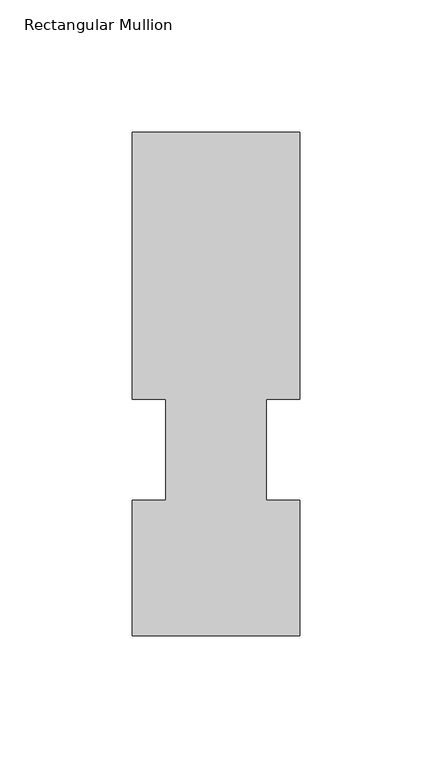
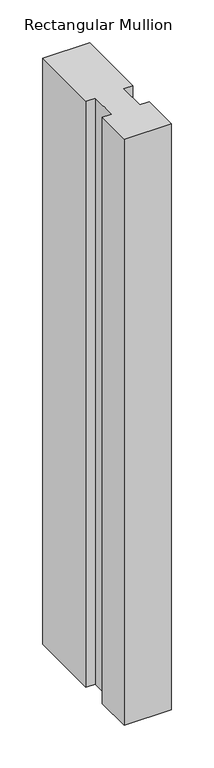
"""IFC4 building model written with IfcOpenShell, lengths in millimetres: member geometry, Rectangular Mullion."""

import ifcopenshell
import ifcopenshell.guid

model = None  # the IFC model being written
_history = None  # IfcOwnerHistory: only IFC2X3 demands one
_inside = {}  # id of a spatial element -> (the spatial element, [elements in it])
_under = {}  # id of a project, library or spatial element -> (it, [spatial elements below it])
_declared = {}  # id of a project -> (the project, [libraries it declares])
_typed = {}  # id of a type object -> (the type object, [elements of that type])
_made_of = {}  # id of a material, layer set ... -> (it, [elements and type objects made of it])


def new_model(schema):
    """Start an empty IFC model of exactly this schema.

    Asked for "IFC4X3", IfcOpenShell would pick the latest addendum, in which some entities
    have other attributes; the version numbers below select the first issue.
    IFC2X3 requires an IfcOwnerHistory on every rooted entity: one is made here for all.
    """
    global model, _history
    if schema == "IFC4X3":
        model = ifcopenshell.file(schema_version=(4, 3, 0, 0))
    else:
        model = ifcopenshell.file(schema=schema)
    _inside.clear()
    _under.clear()
    _declared.clear()
    _typed.clear()
    _made_of.clear()
    _history = None
    if model.schema == "IFC2X3":
        org = make("IfcOrganization", Name="unknown")
        user = make(
            "IfcPersonAndOrganization",
            ThePerson=make("IfcPerson", FamilyName="unknown"),
            TheOrganization=org,
        )
        app = make(
            "IfcApplication",
            ApplicationDeveloper=org,
            Version="unknown",
            ApplicationFullName="unknown",
            ApplicationIdentifier="unknown",
        )
        _history = make(
            "IfcOwnerHistory",
            OwningUser=user,
            OwningApplication=app,
            ChangeAction="ADDED",
            CreationDate=0,
        )
    return model


def make(cls, **values):
    """One entity of the class cls with the attributes given. An attribute that is None is left unset."""
    return model.create_entity(
        cls, **{name: value for name, value in values.items() if value is not None}
    )


def rooted(cls, **values):
    """An entity with a GlobalId (a new one), such as an element, a storey or a relation."""
    return make(cls, GlobalId=ifcopenshell.guid.new(), OwnerHistory=_history, **values)


def si_unit(unit_type, name, prefix=None):
    """IfcSIUnit, for example si_unit("LENGTHUNIT", "METRE", prefix="MILLI")."""
    return make("IfcSIUnit", UnitType=unit_type, Prefix=prefix, Name=name)


def assignment(units):
    """IfcUnitAssignment: the units of a project."""
    return None if units is None else make("IfcUnitAssignment", Units=units)


def point(xyz):
    """IfcCartesianPoint."""
    return None if xyz is None else make("IfcCartesianPoint", Coordinates=xyz)


def direction(xyz):
    """IfcDirection."""
    return None if xyz is None else make("IfcDirection", DirectionRatios=xyz)


def frame(location, z_axis=None, x_axis=None):
    """IfcAxis2Placement3D, a coordinate frame: its origin and axes. An axis left out is left unset."""
    return make(
        "IfcAxis2Placement3D",
        Location=point(location),
        Axis=direction(z_axis),
        RefDirection=direction(x_axis),
    )


def origin():
    """The frame at (0, 0, 0) with its axes left unset."""
    return frame((0.0, 0.0, 0.0))


def place(relative_to, where):
    """IfcLocalPlacement: puts the frame where relative to a parent placement (None: the world)."""
    return make(
        "IfcLocalPlacement", PlacementRelTo=relative_to, RelativePlacement=where
    )


def context(
    kind, dimensions, precision=None, world=None, true_north=None, identifier=None
):
    """IfcGeometricRepresentationContext, for example the 3D "Model" context."""
    return make(
        "IfcGeometricRepresentationContext",
        ContextIdentifier=identifier,
        ContextType=kind,
        CoordinateSpaceDimension=dimensions,
        Precision=precision,
        WorldCoordinateSystem=world,
        TrueNorth=true_north,
    )


def project(units=None, contexts=None):
    """IfcProject with its units and contexts."""
    return rooted(
        "IfcProject",
        Name="project",
        RepresentationContexts=contexts,
        UnitsInContext=assignment(units),
    )


def spatial(cls, under=None, at=None, **own):
    """A site, building, storey or space (cls), placed at a placement, below another one or the project."""
    s = rooted(cls, ObjectPlacement=at, **own)
    if under is not None:
        _under.setdefault(under.id(), (under, []))[1].append(s)
    return s


def polyline(points):
    """IfcPolyline through the points."""
    return make("IfcPolyline", Points=[point(p) for p in points])


def outline(outer, holes=None, kind="AREA"):
    """IfcArbitraryClosedProfileDef: a profile drawn as a closed curve; with holes, ...WithVoids."""
    if holes is None:
        return make("IfcArbitraryClosedProfileDef", ProfileType=kind, OuterCurve=outer)
    return make(
        "IfcArbitraryProfileDefWithVoids",
        ProfileType=kind,
        OuterCurve=outer,
        InnerCurves=holes,
    )


def extrude(swept, where, along, depth):
    """IfcExtrudedAreaSolid: the profile swept, set in the frame where, extruded along a direction by depth."""
    return make(
        "IfcExtrudedAreaSolid",
        SweptArea=swept,
        Position=where,
        ExtrudedDirection=direction(along),
        Depth=depth,
    )


def shape(context_of_items, identifier, shape_type, items):
    """IfcShapeRepresentation: the items that make up one representation, for example the "Body"."""
    return make(
        "IfcShapeRepresentation",
        ContextOfItems=context_of_items,
        RepresentationIdentifier=identifier,
        RepresentationType=shape_type,
        Items=items,
    )


def source(mapping_origin, context_of_items, identifier, shape_type, items):
    """IfcRepresentationMap: a shape defined once, which mapped items show again and again."""
    return make(
        "IfcRepresentationMap",
        MappingOrigin=mapping_origin,
        MappedRepresentation=shape(context_of_items, identifier, shape_type, items),
    )


def transform(
    local_origin,
    x_axis=None,
    y_axis=None,
    z_axis=None,
    scale=None,
    scale2=None,
    scale3=None,
    uniform=True,
):
    """IfcCartesianTransformationOperator3D, or its non-uniform kind. x_axis, y_axis, z_axis: its Axis1, 2, 3."""
    if uniform:
        return make(
            "IfcCartesianTransformationOperator3D",
            Axis1=direction(x_axis),
            Axis2=direction(y_axis),
            LocalOrigin=point(local_origin),
            Scale=scale,
            Axis3=direction(z_axis),
        )
    return make(
        "IfcCartesianTransformationOperator3DnonUniform",
        Axis1=direction(x_axis),
        Axis2=direction(y_axis),
        LocalOrigin=point(local_origin),
        Scale=scale,
        Axis3=direction(z_axis),
        Scale2=scale2,
        Scale3=scale3,
    )


def mapped(mapping_source, mapping_target):
    """IfcMappedItem: shows the shape of a source again, moved by a transform."""
    return make(
        "IfcMappedItem", MappingSource=mapping_source, MappingTarget=mapping_target
    )


def made_of(thing, what):
    """Note that an element or type object is made of a material, layer set ...; save() writes the relation."""
    if what is not None:
        _made_of.setdefault(what.id(), (what, []))[1].append(thing)
    return thing


def element(
    cls,
    number,
    at=None,
    inside=None,
    cuts=None,
    type_object=None,
    material=None,
    context=None,
    identifier="Body",
    shape_type=None,
    held_by="IfcProductDefinitionShape",
    body=None,
    shapes=None,
    **own,
):
    """One element of the class cls, such as IfcWall. Its Tag is "e" and its number.

    at: its placement. inside: the storey or other place that contains it. cuts: it is an
    opening in that element (IfcRelVoidsElement). A single representation is given by context,
    identifier, shape_type and body (its items); several are given by shapes. held_by: the class
    of the entity that holds the representations. save() writes the other relations.
    """
    e = rooted(cls, Tag="e%d" % number, ObjectPlacement=at, **own)
    if body is not None:
        shapes = [shape(context, identifier, shape_type, body)]
    if shapes is not None:
        e.Representation = make(held_by, Representations=shapes)
    if inside is not None:
        _inside.setdefault(inside.id(), (inside, []))[1].append(e)
    if cuts is not None:
        rooted(
            "IfcRelVoidsElement", RelatingBuildingElement=cuts, RelatedOpeningElement=e
        )
    if type_object is not None:
        _typed.setdefault(type_object.id(), (type_object, []))[1].append(e)
    return made_of(e, material)


def aggregate(whole, parts):
    """IfcRelAggregates: a whole, such as a stair, and the parts it consists of."""
    return rooted("IfcRelAggregates", RelatingObject=whole, RelatedObjects=parts)


def save(model, path):
    """Write the relations noted so far, then the file.

    IfcRelAggregates (storeys below a building ...), IfcRelContainedInSpatialStructure (elements
    in a storey), IfcRelDefinesByType, IfcRelAssociatesMaterial and IfcRelDeclares: one each for
    every whole, place, type object, material and project.
    """
    for whole, parts in _under.values():
        aggregate(whole, parts)
    for where, things in _inside.values():
        rooted(
            "IfcRelContainedInSpatialStructure",
            RelatedElements=things,
            RelatingStructure=where,
        )
    for kind, things in _typed.values():
        rooted("IfcRelDefinesByType", RelatedObjects=things, RelatingType=kind)
    for what, things in _made_of.values():
        rooted("IfcRelAssociatesMaterial", RelatedObjects=things, RelatingMaterial=what)
    for by, libraries in _declared.values():
        rooted("IfcRelDeclares", RelatingContext=by, RelatedDefinitions=libraries)
    model.write(path)


def rectangular_mullion_d0bebb06(model_context):
    return source(origin(), model_context, "Body", "SweptSolid", [
        extrude(outline(polyline([(31.75, 51.4945313), (31.75, 0.2119313), (-31.75, 0.2119313), (-31.75, 51.4945313), (-19.05, 51.4945313), (-19.05, 89.5945313), (-31.75, 89.5945313), (-31.75, 190.7881312), (31.7499998, 190.7881312), (31.7499998, 89.5945313), (19.05, 89.5945313), (19.05, 51.4945313), (31.75, 51.4945313)])), frame((0.0, 0.0, -838.1999999), z_axis=(0.0, 0.0, 1.0), x_axis=(1.0, 0.0, 0.0)), (0.0, 0.0, 1.0), 838.1999999),
    ])


if __name__ == "__main__":
    model = new_model("IFC4")
    model_context = context("Model", 3, world=origin())
    ifc_project = project(units=[si_unit("LENGTHUNIT", "METRE", prefix="MILLI")], contexts=[model_context])
    site = spatial("IfcSite", under=ifc_project)
    building = spatial("IfcBuilding", under=site)
    placement = place(None, origin())
    rectangular_mullion_shape = rectangular_mullion_d0bebb06(model_context)
    element("IfcMember", 1, ObjectType="Rectangular Mullion", at=placement, inside=building, context=model_context, shape_type="MappedRepresentation", body=[
        mapped(rectangular_mullion_shape, transform((0.0, 0.0, 0.0), x_axis=(1.0, 0.0, 0.0), y_axis=(0.0, 1.0, 0.0), z_axis=(0.0, 0.0, 1.0))),
    ])
    save(model, "model.ifc")
